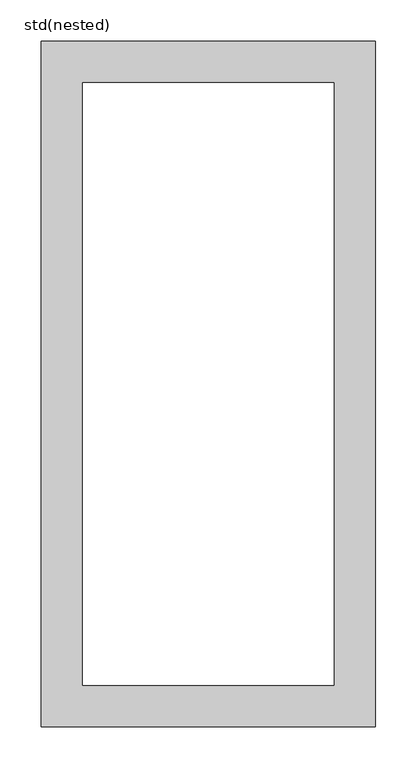
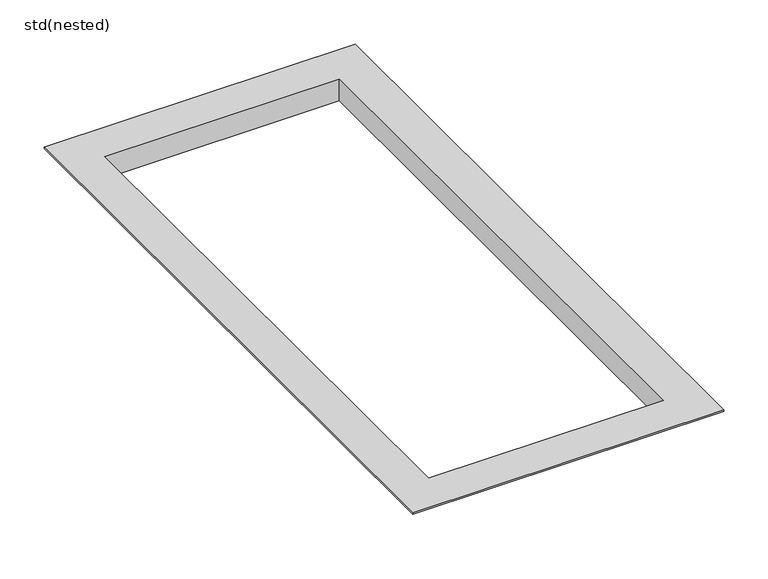
"""IFC4 building model written with IfcOpenShell, lengths in millimetres: furniture geometry, std(nested)."""

from ifc_helpers import new_model, si_unit, origin, place, context, project, spatial, faceted_brep, source, transform, mapped, element, save


def std_nested_1e3dd5eb(model_context):
    return source(origin(), model_context, "Body", "Brep", [
        faceted_brep([(154.5, 367.0, -30.0), (154.5, 367.0, -2.0), (154.5, -367.0, -2.0), (154.5, -367.0, -30.0), (152.5, 365.0, 0.0), (152.5, 365.0, -30.0), (152.5, -365.0, -30.0), (152.5, -365.0, 0.0), (202.5, 415.0, -2.0), (202.5, 415.0, 0.0), (202.5, -415.0, 0.0), (202.5, -415.0, -2.0), (-154.5, -367.0, -2.0), (-154.5, -367.0, -30.0), (-152.5, -365.0, -30.0), (-152.5, -365.0, 0.0), (-202.5, -415.0, 0.0), (-202.5, -415.0, -2.0), (-154.5, 367.0, -2.0), (-154.5, 367.0, -30.0), (-152.5, 365.0, -30.0), (-152.5, 365.0, 0.0), (-202.5, 415.0, 0.0), (-202.5, 415.0, -2.0)], [[[0, 1, 2, 3]], [[4, 5, 6, 7]], [[8, 9, 10, 11]], [[3, 2, 12, 13]], [[7, 6, 14, 15]], [[11, 10, 16, 17]], [[13, 12, 18, 19]], [[15, 14, 20, 21]], [[17, 16, 22, 23]], [[11, 17, 23, 8], [1, 18, 12, 2]], [[19, 18, 1, 0]], [[3, 13, 19, 0], [5, 20, 14, 6]], [[21, 20, 5, 4]], [[9, 22, 16, 10], [7, 15, 21, 4]], [[23, 22, 9, 8]]]),
    ])


if __name__ == "__main__":
    model = new_model("IFC4")
    model_context = context("Model", 3, world=origin())
    ifc_project = project(units=[si_unit("LENGTHUNIT", "METRE", prefix="MILLI")], contexts=[model_context])
    site = spatial("IfcSite", under=ifc_project)
    building = spatial("IfcBuilding", under=site)
    placement = place(None, origin())
    std_nested_shape = std_nested_1e3dd5eb(model_context)
    element("IfcFurniture", 1, ObjectType="std(nested)", at=placement, inside=building, context=model_context, shape_type="MappedRepresentation", body=[
        mapped(std_nested_shape, transform((0.0, 0.0, 0.0), x_axis=(1.0, 0.0, 0.0), y_axis=(0.0, 1.0, 0.0), z_axis=(0.0, 0.0, 1.0))),
    ])
    save(model, "model.ifc")
